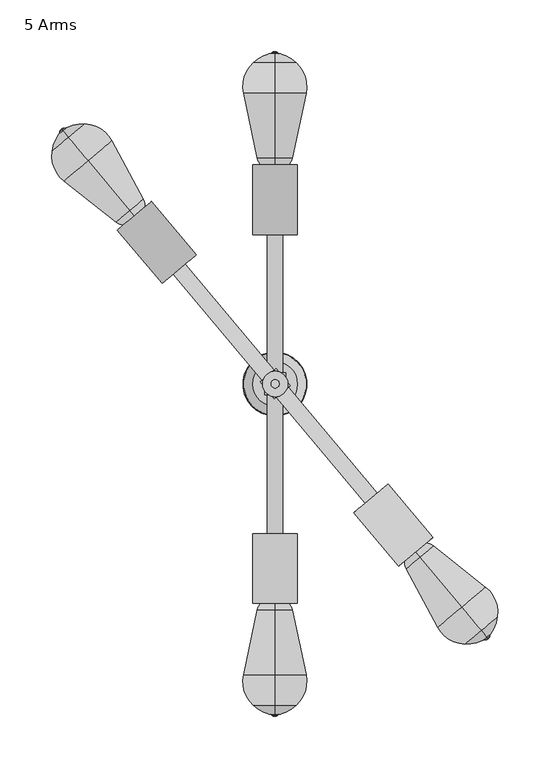
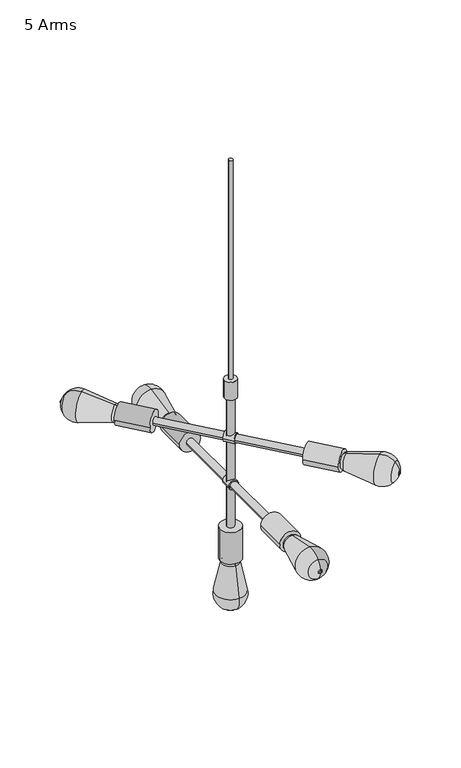
"""IFC4 building model written with IfcOpenShell, lengths in millimetres: furniture geometry, 5 Arms."""

from ifc_helpers import new_model, si_unit, point, frame, frame_2d, origin, origin_2d, place, context, project, spatial, polyline, circle_curve, ellipse_curve, trimmed, segment, composite_curve, outline, extrude, source, transform, mapped, element, save
from ifc_brep_helpers import plane_surface, revolved_surface, advanced_brep


def furniture_5_arms_6e21fdf8(model_context):
    return source(origin(), model_context, "Body", "SolidModel", [
        extrude(outline(composite_curve([segment(trimmed(circle_curve(frame_2d((0.0, -10.0)), 10.0), [point((0.0, -19.9999999))], [point((0.0, 0.0))], False, "CARTESIAN"), True, "CONTINUOUS"), segment(trimmed(circle_curve(frame_2d((0.0, -10.0)), 10.0), [point((0.0, 0.0))], [point((0.0, -19.9999999))], False, "CARTESIAN"), True, "CONTINUOUS")], self_intersect=False)), frame((14.5076184, -1.6676483, 2399.8530336), z_axis=(-0.6390690779321045, 0.7691493441660142, 0.0), x_axis=(0.0, 0.0, 1.0)), (0.0, 0.0, 1.0), 21.3314186),
        extrude(outline(composite_curve([segment(trimmed(circle_curve(frame_2d((2302.5332835, 0.0)), 10.0), [point((2302.5332835, -10.0))], [point((2302.5332835, 10.0))], False, "CARTESIAN"), True, "CONTINUOUS"), segment(trimmed(circle_curve(frame_2d((2302.5332835, 0.0)), 10.0), [point((2302.5332835, 10.0))], [point((2302.5332835, -10.0))], False, "CARTESIAN"), True, "CONTINUOUS")], self_intersect=False)), frame((0.0, -10.5205251, 0.0), z_axis=(0.0, 1.0, 0.0), x_axis=(0.0, 0.0, 1.0)), (0.0, 0.0, 1.0), 21.3314186),
        extrude(outline(composite_curve([segment(trimmed(circle_curve(frame_2d((0.0, -21.5)), 21.5), [point((0.0, -43.0))], [point((0.0, 0.0))], False, "CARTESIAN"), True, "CONTINUOUS"), segment(trimmed(circle_curve(frame_2d((0.0, -21.5)), 21.5), [point((0.0, 0.0))], [point((0.0, -43.0))], False, "CARTESIAN"), True, "CONTINUOUS")], self_intersect=False)), frame((-76.2749676, 124.7486621, 2399.8530336), z_axis=(-0.641954592659255, 0.7667426562828561, 0.0), x_axis=(0.0, 0.0, 1.0)), (0.0, 0.0, 1.0), 67.2515383),
        extrude(outline(composite_curve([segment(trimmed(circle_curve(frame_2d((0.0, -21.5)), 21.5), [point((0.0, -43.0000001))], [point((0.0, 0.0))], False, "CARTESIAN"), True, "CONTINUOUS"), segment(trimmed(circle_curve(frame_2d((0.0, -21.5)), 21.5), [point((0.0, 0.0))], [point((0.0, -43.0000001))], False, "CARTESIAN"), True, "CONTINUOUS")], self_intersect=False)), frame((152.2179252, -148.1604339, 2399.8530336), z_axis=(-0.641954592659255, 0.7667426562828561, 0.0), x_axis=(0.0, 0.0, 1.0)), (0.0, 0.0, 1.0), 67.2515383),
        advanced_brep(
        [(-136.0675596, 162.0068787, 2399.8530336), (-136.0675596, 162.0068787, 2413.0287016), (-136.0675596, 162.0068787, 2386.6773656), (-140.4828524, 167.2804501, 2416.9836568), (-140.4828524, 167.2804501, 2382.7224104), (-180.7451697, 215.3692658, 2430.188027), (-180.7451697, 215.3692658, 2369.5180402), (-199.6744613, 237.9781784, 2420.5259982), (-199.6744613, 237.9781784, 2379.180069), (-205.0121244, 244.3534175, 2404.8308433), (-205.0121244, 244.3534175, 2394.875224), (-205.7418194, 245.2249562, 2402.8620612), (-205.7418194, 245.2249562, 2396.8440061), (-206.3018221, 245.8938165, 2400.8069567), (-206.3018221, 245.8938165, 2398.8991105), (-206.3018221, 245.8938165, 2399.8530336)],
        [
            (0, 1),
            (1, 2, circle_curve(frame((-136.0675596, 162.0068787, 2399.8530336), z_axis=(0.6419545926592658, -0.7667426562828471, 0.0), x_axis=(0.0, 0.0, 1.0)), 13.175668)),
            (2, 0),
            (2, 1, circle_curve(frame((-136.0675596, 162.0068787, 2399.8530336), z_axis=(0.6419545926592658, -0.7667426562828471, 0.0), x_axis=(0.0, 0.0, 1.0)), 13.175668)),
            (1, 3, circle_curve(frame((-142.1796575, 169.3070932, 2404.4290124), z_axis=(-0.7667426562828469, -0.641954592659266, 0.0), x_axis=(0.0, 0.0, -1.0)), 12.8298686)),
            (3, 4, circle_curve(frame((-140.4828524, 167.2804501, 2399.8530336), z_axis=(0.6419545926592658, -0.7667426562828471, 0.0), x_axis=(0.0, 0.0, 1.0)), 17.1306232)),
            (4, 2, circle_curve(frame((-142.1796575, 169.3070932, 2395.2770549), z_axis=(-0.7667426562828478, -0.6419545926592651, 0.0), x_axis=(0.0, 0.0, 1.0)), 12.8298686)),
            (4, 3, circle_curve(frame((-140.4828524, 167.2804501, 2399.8530336), z_axis=(0.6419545926592658, -0.7667426562828471, 0.0), x_axis=(0.0, 0.0, 1.0)), 17.1306232)),
            (3, 5),
            (5, 6, circle_curve(frame((-180.7451697, 215.3692658, 2399.8530336), z_axis=(0.6419545926592658, -0.7667426562828471, 0.0), x_axis=(0.0, 0.0, 1.0)), 30.3349934)),
            (6, 4),
            (6, 5, circle_curve(frame((-180.7451697, 215.3692658, 2399.8530336), z_axis=(0.6419545926592658, -0.7667426562828471, 0.0), x_axis=(0.0, 0.0, 1.0)), 30.3349934)),
            (5, 7, circle_curve(frame((-184.8450526, 220.2661154, 2399.8530336), z_axis=(-0.7667426562828469, -0.641954592659266, 0.0), x_axis=(0.0, 0.0, -1.0)), 31.0)),
            (7, 8, circle_curve(frame((-199.6744613, 237.9781784, 2399.8530336), z_axis=(0.6419545926592658, -0.7667426562828471, 0.0), x_axis=(0.0, 0.0, 1.0)), 20.6729646)),
            (8, 6, circle_curve(frame((-184.8450526, 220.2661154, 2399.8530336), z_axis=(-0.7667426562828478, -0.6419545926592651, 0.0), x_axis=(0.0, 0.0, 1.0)), 31.0)),
            (8, 7, circle_curve(frame((-199.6744613, 237.9781784, 2399.8530336), z_axis=(0.6419545926592658, -0.7667426562828471, 0.0), x_axis=(0.0, 0.0, 1.0)), 20.6729646)),
            (7, 9, circle_curve(frame((-182.0062726, 216.8755116, 2395.8956271), z_axis=(-0.7667426562828469, -0.641954592659266, 0.0), x_axis=(0.0, 0.0, -1.0)), 36.9343014)),
            (9, 10, circle_curve(frame((-205.0121244, 244.3534175, 2399.8530336), z_axis=(0.6419545926592658, -0.7667426562828471, 0.0), x_axis=(0.0, 0.0, 1.0)), 4.9778097)),
            (10, 8, circle_curve(frame((-182.0062726, 216.8755116, 2403.8104402), z_axis=(-0.7667426562828478, -0.6419545926592651, 0.0), x_axis=(0.0, 0.0, 1.0)), 36.9343014)),
            (10, 9, circle_curve(frame((-205.0121244, 244.3534175, 2399.8530336), z_axis=(0.6419545926592658, -0.7667426562828471, 0.0), x_axis=(0.0, 0.0, 1.0)), 4.9778097)),
            (9, 11, circle_curve(frame((-207.5807889, 247.4213988, 2405.828484), z_axis=(0.7667426562828469, 0.641954592659266, 0.0), x_axis=(0.0, 0.0, -1.0)), 4.123813)),
            (11, 12, circle_curve(frame((-205.7418194, 245.2249562, 2399.8530336), z_axis=(0.6419545926592658, -0.7667426562828471, 0.0), x_axis=(0.0, 0.0, 1.0)), 3.0090275)),
            (12, 10, circle_curve(frame((-207.5807889, 247.4213988, 2393.8775833), z_axis=(0.7667426562828478, 0.6419545926592651, 0.0), x_axis=(0.0, 0.0, 1.0)), 4.123813)),
            (12, 11, circle_curve(frame((-205.7418194, 245.2249562, 2399.8530336), z_axis=(0.6419545926592658, -0.7667426562828471, 0.0), x_axis=(0.0, 0.0, 1.0)), 3.0090275)),
            (11, 13, circle_curve(frame((-204.4678019, 243.7032854, 2400.8069567), z_axis=(-0.7667426562828469, -0.641954592659266, 0.0), x_axis=(0.0, 0.0, -1.0)), 2.8569314)),
            (13, 14, circle_curve(frame((-206.3018221, 245.8938165, 2399.8530336), z_axis=(0.6419545926592658, -0.7667426562828471, 0.0), x_axis=(0.0, 0.0, 1.0)), 0.9539231)),
            (14, 12, circle_curve(frame((-204.4678019, 243.7032854, 2398.8991105), z_axis=(-0.7667426562828478, -0.6419545926592651, 0.0), x_axis=(0.0, 0.0, 1.0)), 2.8569314)),
            (14, 13, circle_curve(frame((-206.3018221, 245.8938165, 2399.8530336), z_axis=(0.6419545926592658, -0.7667426562828471, 0.0), x_axis=(0.0, 0.0, 1.0)), 0.9539231)),
            (13, 15),
            (15, 14),
        ],
        [
            plane_surface(frame((-136.0675596, 162.0068787, 2399.8530336), z_axis=(0.6419545926592656, -0.7667426562828473, 0.0), x_axis=(0.0, 0.0, 1.0))),
            revolved_surface(trimmed(ellipse_curve(frame((-142.1796575, 169.3070932, 2404.4290124), z_axis=(0.7667426562828469, 0.641954592659266, 0.0), x_axis=(0.0, 0.0, -1.0)), 12.8298686, 12.8298686), [point((-140.4828524, 167.2804501, 2416.9836568))], [point((-136.0675596, 162.0068787, 2413.0287016))], True, "CARTESIAN"), (-118.6025009, 141.1468278, 2399.8530336), (0.6419545926592658, -0.7667426562828471, 0.0)),
            revolved_surface(trimmed(ellipse_curve(frame((-142.1796575, 169.3070932, 2404.4290124), z_axis=(0.7667426562828468, 0.6419545926592664, 0.0), x_axis=(0.0, 0.0, -1.0)), 12.8298686, 12.8298686), [point((-140.4828524, 167.2804501, 2416.9836568))], [point((-136.0675596, 162.0068787, 2413.0287016))], True, "CARTESIAN"), (-118.6025009, 141.1468278, 2399.8530336), (0.6419545926592658, -0.7667426562828471, 0.0)),
            revolved_surface(polyline([(-180.7451697, 215.3692658, 2430.188027), (-140.4828524, 167.2804501, 2416.9836568)]), (-118.6025009, 141.1468278, 2399.8530336), (0.6419545926592658, -0.7667426562828471, 0.0)),
            revolved_surface(trimmed(ellipse_curve(frame((-184.8450526, 220.2661154, 2399.8530336), z_axis=(0.7667426562828469, 0.641954592659266, 0.0), x_axis=(0.0, 0.0, -1.0)), 31.0, 31.0), [point((-199.6744613, 237.9781784, 2420.5259982))], [point((-180.7451697, 215.3692658, 2430.188027))], True, "CARTESIAN"), (-118.6025009, 141.1468278, 2399.8530336), (0.6419545926592658, -0.7667426562828471, 0.0)),
            revolved_surface(trimmed(ellipse_curve(frame((-184.8450526, 220.2661154, 2399.8530336), z_axis=(0.7667426562828468, 0.6419545926592664, 0.0), x_axis=(0.0, 0.0, -1.0)), 31.0, 31.0), [point((-199.6744613, 237.9781784, 2420.5259982))], [point((-180.7451697, 215.3692658, 2430.188027))], True, "CARTESIAN"), (-118.6025009, 141.1468278, 2399.8530336), (0.6419545926592658, -0.7667426562828471, 0.0)),
            revolved_surface(trimmed(ellipse_curve(frame((-182.0062726, 216.8755116, 2395.8956271), z_axis=(0.7667426562828469, 0.641954592659266, 0.0), x_axis=(0.0, 0.0, -1.0)), 36.9343014, 36.9343014), [point((-205.0121244, 244.3534175, 2404.8308433))], [point((-199.6744613, 237.9781784, 2420.5259982))], True, "CARTESIAN"), (-118.6025009, 141.1468278, 2399.8530336), (0.6419545926592658, -0.7667426562828471, 0.0)),
            revolved_surface(trimmed(ellipse_curve(frame((-182.0062726, 216.8755116, 2395.8956271), z_axis=(0.7667426562828468, 0.6419545926592664, 0.0), x_axis=(0.0, 0.0, -1.0)), 36.9343014, 36.9343014), [point((-205.0121244, 244.3534175, 2404.8308433))], [point((-199.6744613, 237.9781784, 2420.5259982))], True, "CARTESIAN"), (-118.6025009, 141.1468278, 2399.8530336), (0.6419545926592658, -0.7667426562828471, 0.0)),
            revolved_surface(trimmed(ellipse_curve(frame((-207.5807889, 247.4213988, 2405.828484), z_axis=(-0.7667426562828469, -0.641954592659266, 0.0), x_axis=(0.0, 0.0, -1.0)), 4.123813, 4.123813), [point((-205.7418194, 245.2249562, 2402.8620612))], [point((-205.0121244, 244.3534175, 2404.8308433))], True, "CARTESIAN"), (-118.6025009, 141.1468278, 2399.8530336), (0.6419545926592658, -0.7667426562828471, 0.0)),
            revolved_surface(trimmed(ellipse_curve(frame((-207.5807889, 247.4213988, 2405.828484), z_axis=(-0.7667426562828468, -0.6419545926592664, 0.0), x_axis=(0.0, 0.0, -1.0)), 4.123813, 4.123813), [point((-205.7418194, 245.2249562, 2402.8620612))], [point((-205.0121244, 244.3534175, 2404.8308433))], True, "CARTESIAN"), (-118.6025009, 141.1468278, 2399.8530336), (0.6419545926592658, -0.7667426562828471, 0.0)),
            revolved_surface(trimmed(ellipse_curve(frame((-204.4678019, 243.7032854, 2400.8069567), z_axis=(0.7667426562828469, 0.641954592659266, 0.0), x_axis=(0.0, 0.0, -1.0)), 2.8569314, 2.8569314), [point((-206.3018221, 245.8938165, 2400.8069567))], [point((-205.7418194, 245.2249562, 2402.8620612))], True, "CARTESIAN"), (-118.6025009, 141.1468278, 2399.8530336), (0.6419545926592658, -0.7667426562828471, 0.0)),
            revolved_surface(trimmed(ellipse_curve(frame((-204.4678019, 243.7032854, 2400.8069567), z_axis=(0.7667426562828468, 0.6419545926592664, 0.0), x_axis=(0.0, 0.0, -1.0)), 2.8569314, 2.8569314), [point((-206.3018221, 245.8938165, 2400.8069567))], [point((-205.7418194, 245.2249562, 2402.8620612))], True, "CARTESIAN"), (-118.6025009, 141.1468278, 2399.8530336), (0.6419545926592658, -0.7667426562828471, 0.0)),
            plane_surface(frame((-206.3018221, 245.8938165, 2399.8530336), z_axis=(-0.6419545926592656, 0.7667426562828473, 0.0), x_axis=(0.0, 0.0, 1.0))),
        ],
        [
            (0, [[1, 2, 3]]),
            (0, [[-3, 4, -1]]),
            (1, [[-2, 5, 6, 7]]),
            (2, [[-4, -7, 8, -5]]),
            (3, [[-6, 9, 10, 11]]),
            (3, [[-8, -11, 12, -9]]),
            (4, [[-10, 13, 14, 15]]),
            (5, [[-12, -15, 16, -13]]),
            (6, [[-14, 17, 18, 19]]),
            (7, [[-16, -19, 20, -17]]),
            (8, [[-18, 21, 22, 23]]),
            (9, [[-20, -23, 24, -21]]),
            (10, [[-22, 25, 26, 27]]),
            (11, [[-24, -27, 28, -25]]),
            (12, [[-26, 29, 30]]),
            (12, [[-28, -30, -29]]),
        ],
    ),
        extrude(outline(composite_curve([segment(trimmed(circle_curve(frame_2d((0.0, -7.5)), 7.5), [point((0.0, -15.0))], [point((0.0, 0.0))], False, "CARTESIAN"), True, "CONTINUOUS"), segment(trimmed(circle_curve(frame_2d((0.0, -7.5)), 7.5), [point((0.0, 0.0))], [point((0.0, -15.0))], False, "CARTESIAN"), True, "CONTINUOUS")], self_intersect=False)), frame((98.3110941, -105.5831751, 2399.8530336), z_axis=(-0.641954592659255, 0.7667426562828561, 0.0), x_axis=(0.0, 0.0, 1.0)), (0.0, 0.0, 1.0), 288.6815688),
        advanced_brep(
        [(135.2126646, -162.0068787, 2386.6773656), (135.2126646, -162.0068787, 2413.0287016), (135.2126646, -162.0068787, 2399.8530336), (139.6279574, -167.2804501, 2382.7224104), (139.6279574, -167.2804501, 2416.9836568), (179.8902747, -215.3692658, 2369.5180402), (179.8902747, -215.3692658, 2430.188027), (198.8195662, -237.9781784, 2379.180069), (198.8195662, -237.9781784, 2420.5259982), (204.1572294, -244.3534175, 2394.875224), (204.1572294, -244.3534175, 2404.8308433), (204.8869243, -245.2249562, 2396.8440061), (204.8869243, -245.2249562, 2402.8620612), (205.4469271, -245.8938165, 2398.8991105), (205.4469271, -245.8938165, 2400.8069567), (205.4469271, -245.8938165, 2399.8530336)],
        [
            (0, 1, circle_curve(frame((135.2126646, -162.0068787, 2399.8530336), z_axis=(-0.6419545926592448, 0.7667426562828646, 0.0), x_axis=(0.0, 0.0, 1.0000000000000002)), 13.175668)),
            (1, 2),
            (2, 0),
            (1, 0, circle_curve(frame((135.2126646, -162.0068787, 2399.8530336), z_axis=(-0.6419545926592448, 0.7667426562828646, 0.0), x_axis=(0.0, 0.0, 1.0000000000000002)), 13.175668)),
            (3, 4, circle_curve(frame((139.6279574, -167.2804501, 2399.8530336), z_axis=(-0.6419545926592448, 0.7667426562828646, 0.0), x_axis=(0.0, 0.0, 1.0000000000000002)), 17.1306232)),
            (4, 1, circle_curve(frame((141.3247625, -169.3070932, 2404.4290124), z_axis=(-0.7667426562828644, -0.6419545926592454, 0.0), x_axis=(0.0, 0.0, -1.0000000000000002)), 12.8298686)),
            (0, 3, circle_curve(frame((141.3247625, -169.3070932, 2395.2770549), z_axis=(-0.7667426562828658, -0.6419545926592436, 0.0), x_axis=(0.0, 0.0, 1.0000000000000002)), 12.8298686)),
            (4, 3, circle_curve(frame((139.6279574, -167.2804501, 2399.8530336), z_axis=(-0.6419545926592448, 0.7667426562828646, 0.0), x_axis=(0.0, 0.0, 1.0000000000000002)), 17.1306232)),
            (5, 6, circle_curve(frame((179.8902747, -215.3692658, 2399.8530336), z_axis=(-0.6419545926592448, 0.7667426562828646, 0.0), x_axis=(0.0, 0.0, 1.0000000000000002)), 30.3349934)),
            (6, 4),
            (3, 5),
            (6, 5, circle_curve(frame((179.8902747, -215.3692658, 2399.8530336), z_axis=(-0.6419545926592448, 0.7667426562828646, 0.0), x_axis=(0.0, 0.0, 1.0000000000000002)), 30.3349934)),
            (7, 8, circle_curve(frame((198.8195662, -237.9781784, 2399.8530336), z_axis=(-0.6419545926592448, 0.7667426562828646, 0.0), x_axis=(0.0, 0.0, 1.0000000000000002)), 20.6729646)),
            (8, 6, circle_curve(frame((183.9901576, -220.2661154, 2399.8530336), z_axis=(-0.7667426562828644, -0.6419545926592454, 0.0), x_axis=(0.0, 0.0, -1.0000000000000002)), 31.0)),
            (5, 7, circle_curve(frame((183.9901576, -220.2661154, 2399.8530336), z_axis=(-0.7667426562828658, -0.6419545926592436, 0.0), x_axis=(0.0, 0.0, 1.0000000000000002)), 31.0)),
            (8, 7, circle_curve(frame((198.8195662, -237.9781784, 2399.8530336), z_axis=(-0.6419545926592448, 0.7667426562828646, 0.0), x_axis=(0.0, 0.0, 1.0000000000000002)), 20.6729646)),
            (9, 10, circle_curve(frame((204.1572294, -244.3534175, 2399.8530336), z_axis=(-0.6419545926592448, 0.7667426562828646, 0.0), x_axis=(0.0, 0.0, 1.0000000000000002)), 4.9778097)),
            (10, 8, circle_curve(frame((181.1513776, -216.8755116, 2395.8956271), z_axis=(-0.7667426562828644, -0.6419545926592454, 0.0), x_axis=(0.0, 0.0, -1.0000000000000002)), 36.9343014)),
            (7, 9, circle_curve(frame((181.1513776, -216.8755116, 2403.8104402), z_axis=(-0.7667426562828658, -0.6419545926592436, 0.0), x_axis=(0.0, 0.0, 1.0000000000000002)), 36.9343014)),
            (10, 9, circle_curve(frame((204.1572294, -244.3534175, 2399.8530336), z_axis=(-0.6419545926592448, 0.7667426562828646, 0.0), x_axis=(0.0, 0.0, 1.0000000000000002)), 4.9778097)),
            (11, 12, circle_curve(frame((204.8869243, -245.2249562, 2399.8530336), z_axis=(-0.6419545926592448, 0.7667426562828646, 0.0), x_axis=(0.0, 0.0, 1.0000000000000002)), 3.0090275)),
            (12, 10, circle_curve(frame((206.7258939, -247.4213988, 2405.828484), z_axis=(0.7667426562828644, 0.6419545926592454, 0.0), x_axis=(0.0, 0.0, -1.0000000000000002)), 4.123813)),
            (9, 11, circle_curve(frame((206.7258939, -247.4213988, 2393.8775833), z_axis=(0.7667426562828658, 0.6419545926592436, 0.0), x_axis=(0.0, 0.0, 1.0000000000000002)), 4.123813)),
            (12, 11, circle_curve(frame((204.8869243, -245.2249562, 2399.8530336), z_axis=(-0.6419545926592448, 0.7667426562828646, 0.0), x_axis=(0.0, 0.0, 1.0000000000000002)), 3.0090275)),
            (13, 14, circle_curve(frame((205.4469271, -245.8938165, 2399.8530336), z_axis=(-0.6419545926592448, 0.7667426562828646, 0.0), x_axis=(0.0, 0.0, 1.0000000000000002)), 0.9539231)),
            (14, 12, circle_curve(frame((203.6129069, -243.7032854, 2400.8069567), z_axis=(-0.7667426562828644, -0.6419545926592454, 0.0), x_axis=(0.0, 0.0, -1.0000000000000002)), 2.8569314)),
            (11, 13, circle_curve(frame((203.6129069, -243.7032854, 2398.8991105), z_axis=(-0.7667426562828658, -0.6419545926592436, 0.0), x_axis=(0.0, 0.0, 1.0000000000000002)), 2.8569314)),
            (14, 13, circle_curve(frame((205.4469271, -245.8938165, 2399.8530336), z_axis=(-0.6419545926592448, 0.7667426562828646, 0.0), x_axis=(0.0, 0.0, 1.0000000000000002)), 0.9539231)),
            (15, 14),
            (13, 15),
        ],
        [
            plane_surface(frame((135.2126646, -162.0068787, 2399.8530336), z_axis=(-0.6419545926592445, 0.7667426562828651, 0.0), x_axis=(0.0, 0.0, 1.0))),
            revolved_surface(trimmed(ellipse_curve(frame((141.3247625, -169.3070932, 2404.4290124), z_axis=(0.7667426562828644, 0.6419545926592454, 0.0), x_axis=(0.0, 0.0, -1.0000000000000002)), 12.8298686, 12.8298686), [point((135.2126646, -162.0068787, 2413.0287016))], [point((139.6279574, -167.2804501, 2416.9836568))], True, "CARTESIAN"), (117.7476059, -141.1468278, 2399.8530336), (0.6419545926592448, -0.7667426562828646, 0.0)),
            revolved_surface(trimmed(ellipse_curve(frame((141.3247625, -169.3070932, 2404.4290124), z_axis=(0.766742656282864, 0.6419545926592458, 0.0), x_axis=(0.0, 0.0, -1.0000000000000002)), 12.8298686, 12.8298686), [point((135.2126646, -162.0068787, 2413.0287016))], [point((139.6279574, -167.2804501, 2416.9836568))], True, "CARTESIAN"), (117.7476059, -141.1468278, 2399.8530336), (0.6419545926592448, -0.7667426562828646, 0.0)),
            revolved_surface(polyline([(139.6279574, -167.2804501, 2416.9836568), (179.8902747, -215.3692658, 2430.188027)]), (117.7476059, -141.1468278, 2399.8530336), (0.6419545926592448, -0.7667426562828646, 0.0)),
            revolved_surface(trimmed(ellipse_curve(frame((183.9901576, -220.2661154, 2399.8530336), z_axis=(0.7667426562828644, 0.6419545926592454, 0.0), x_axis=(0.0, 0.0, -1.0000000000000002)), 31.0, 31.0), [point((179.8902747, -215.3692658, 2430.188027))], [point((198.8195662, -237.9781784, 2420.5259982))], True, "CARTESIAN"), (117.7476059, -141.1468278, 2399.8530336), (0.6419545926592448, -0.7667426562828646, 0.0)),
            revolved_surface(trimmed(ellipse_curve(frame((183.9901576, -220.2661154, 2399.8530336), z_axis=(0.766742656282864, 0.6419545926592458, 0.0), x_axis=(0.0, 0.0, -1.0000000000000002)), 31.0, 31.0), [point((179.8902747, -215.3692658, 2430.188027))], [point((198.8195662, -237.9781784, 2420.5259982))], True, "CARTESIAN"), (117.7476059, -141.1468278, 2399.8530336), (0.6419545926592448, -0.7667426562828646, 0.0)),
            revolved_surface(trimmed(ellipse_curve(frame((181.1513776, -216.8755116, 2395.8956271), z_axis=(0.7667426562828644, 0.6419545926592454, 0.0), x_axis=(0.0, 0.0, -1.0000000000000002)), 36.9343014, 36.9343014), [point((198.8195662, -237.9781784, 2420.5259982))], [point((204.1572294, -244.3534175, 2404.8308433))], True, "CARTESIAN"), (117.7476059, -141.1468278, 2399.8530336), (0.6419545926592448, -0.7667426562828646, 0.0)),
            revolved_surface(trimmed(ellipse_curve(frame((181.1513776, -216.8755116, 2395.8956271), z_axis=(0.766742656282864, 0.6419545926592458, 0.0), x_axis=(0.0, 0.0, -1.0000000000000002)), 36.9343014, 36.9343014), [point((198.8195662, -237.9781784, 2420.5259982))], [point((204.1572294, -244.3534175, 2404.8308433))], True, "CARTESIAN"), (117.7476059, -141.1468278, 2399.8530336), (0.6419545926592448, -0.7667426562828646, 0.0)),
            revolved_surface(trimmed(ellipse_curve(frame((206.7258939, -247.4213988, 2405.828484), z_axis=(-0.7667426562828644, -0.6419545926592454, 0.0), x_axis=(0.0, 0.0, -1.0000000000000002)), 4.123813, 4.123813), [point((204.1572294, -244.3534175, 2404.8308433))], [point((204.8869243, -245.2249562, 2402.8620612))], True, "CARTESIAN"), (117.7476059, -141.1468278, 2399.8530336), (0.6419545926592448, -0.7667426562828646, 0.0)),
            revolved_surface(trimmed(ellipse_curve(frame((206.7258939, -247.4213988, 2405.828484), z_axis=(-0.766742656282864, -0.6419545926592458, 0.0), x_axis=(0.0, 0.0, -1.0000000000000002)), 4.123813, 4.123813), [point((204.1572294, -244.3534175, 2404.8308433))], [point((204.8869243, -245.2249562, 2402.8620612))], True, "CARTESIAN"), (117.7476059, -141.1468278, 2399.8530336), (0.6419545926592448, -0.7667426562828646, 0.0)),
            revolved_surface(trimmed(ellipse_curve(frame((203.6129069, -243.7032854, 2400.8069567), z_axis=(0.7667426562828644, 0.6419545926592454, 0.0), x_axis=(0.0, 0.0, -1.0000000000000002)), 2.8569314, 2.8569314), [point((204.8869243, -245.2249562, 2402.8620612))], [point((205.4469271, -245.8938165, 2400.8069567))], True, "CARTESIAN"), (117.7476059, -141.1468278, 2399.8530336), (0.6419545926592448, -0.7667426562828646, 0.0)),
            revolved_surface(trimmed(ellipse_curve(frame((203.6129069, -243.7032854, 2400.8069567), z_axis=(0.766742656282864, 0.6419545926592458, 0.0), x_axis=(0.0, 0.0, -1.0000000000000002)), 2.8569314, 2.8569314), [point((204.8869243, -245.2249562, 2402.8620612))], [point((205.4469271, -245.8938165, 2400.8069567))], True, "CARTESIAN"), (117.7476059, -141.1468278, 2399.8530336), (0.6419545926592448, -0.7667426562828646, 0.0)),
            plane_surface(frame((205.4469271, -245.8938165, 2399.8530336), z_axis=(0.6419545926592445, -0.7667426562828651, 0.0), x_axis=(0.0, 0.0, 1.0))),
        ],
        [
            (0, [[1, 2, 3]]),
            (0, [[4, -3, -2]]),
            (1, [[5, 6, -1, 7]]),
            (2, [[8, -7, -4, -6]]),
            (3, [[9, 10, -5, 11]]),
            (3, [[12, -11, -8, -10]]),
            (4, [[13, 14, -9, 15]]),
            (5, [[16, -15, -12, -14]]),
            (6, [[17, 18, -13, 19]]),
            (7, [[20, -19, -16, -18]]),
            (8, [[21, 22, -17, 23]]),
            (9, [[24, -23, -20, -22]]),
            (10, [[25, 26, -21, 27]]),
            (11, [[28, -27, -24, -26]]),
            (12, [[29, -25, 30]]),
            (12, [[-30, -28, -29]]),
        ],
    ),
        advanced_brep(
        [(-0.2492031, 13.175668, 2138.9275009), (-0.2492031, -13.175668, 2138.9275009), (-0.2492031, 0.0, 2138.9275009), (-0.2492031, 17.1306232, 2132.0496113), (-0.2492031, -17.1306232, 2132.0496113), (-0.2492031, 30.3349934, 2069.3312854), (-0.2492031, -30.3349934, 2069.3312854), (-0.2492031, 20.6729646, 2039.8443221), (-0.2492031, -20.6729646, 2039.8443221), (-0.2492031, 4.9778097, 2031.529617), (-0.2492031, -4.9778097, 2031.529617), (-0.2492031, 3.0090275, 2030.3929401), (-0.2492031, -3.0090275, 2030.3929401), (-0.2492031, 0.9539231, 2029.5206), (-0.2492031, -0.9539231, 2029.5206), (-0.2492031, 0.0, 2029.5206)],
        [
            (0, 1, circle_curve(frame((-0.2492031, 0.0, 2138.9275009), z_axis=(0.0, 0.0, 1.0), x_axis=(0.0, -1.0, 0.0)), 13.175668)),
            (1, 2),
            (2, 0),
            (1, 0, circle_curve(frame((-0.2492031, 0.0, 2138.9275009), z_axis=(0.0, 0.0, 1.0), x_axis=(0.0, -1.0, 0.0)), 13.175668)),
            (3, 4, circle_curve(frame((-0.2492031, 0.0, 2132.0496113), z_axis=(0.0, 0.0, 1.0), x_axis=(0.0, -1.0, 0.0)), 17.1306232)),
            (4, 1, circle_curve(frame((-0.2492031, -4.5759787, 2129.4064257), z_axis=(-1.0, 0.0, 0.0), x_axis=(0.0, 1.0, 0.0)), 12.8298686)),
            (0, 3, circle_curve(frame((-0.2492031, 4.5759787, 2129.4064257), z_axis=(-1.0, 0.0, 0.0), x_axis=(0.0, -1.0, 0.0)), 12.8298686)),
            (4, 3, circle_curve(frame((-0.2492031, 0.0, 2132.0496113), z_axis=(0.0, 0.0, 1.0), x_axis=(0.0, -1.0, 0.0)), 17.1306232)),
            (5, 6, circle_curve(frame((-0.2492031, 0.0, 2069.3312854), z_axis=(0.0, 0.0, 1.0), x_axis=(0.0, -1.0, 0.0)), 30.3349934)),
            (6, 4),
            (3, 5),
            (6, 5, circle_curve(frame((-0.2492031, 0.0, 2069.3312854), z_axis=(0.0, 0.0, 1.0), x_axis=(0.0, -1.0, 0.0)), 30.3349934)),
            (7, 8, circle_curve(frame((-0.2492031, 0.0, 2039.8443221), z_axis=(0.0, 0.0, 1.0), x_axis=(0.0, -1.0, 0.0)), 20.6729646)),
            (8, 6, circle_curve(frame((-0.2492031, 0.0, 2062.9447233), z_axis=(-1.0, 0.0, 0.0), x_axis=(0.0, 1.0, 0.0)), 31.0)),
            (5, 7, circle_curve(frame((-0.2492031, 0.0, 2062.9447233), z_axis=(-1.0, 0.0, 0.0), x_axis=(0.0, -1.0, 0.0)), 31.0)),
            (8, 7, circle_curve(frame((-0.2492031, 0.0, 2039.8443221), z_axis=(0.0, 0.0, 1.0), x_axis=(0.0, -1.0, 0.0)), 20.6729646)),
            (9, 10, circle_curve(frame((-0.2492031, 0.0, 2031.529617), z_axis=(0.0, 0.0, 1.0), x_axis=(0.0, -1.0, 0.0)), 4.9778097)),
            (10, 8, circle_curve(frame((-0.2492031, 3.9574065, 2067.3668118), z_axis=(-1.0, 0.0, 0.0), x_axis=(0.0, 1.0, 0.0)), 36.9343014)),
            (7, 9, circle_curve(frame((-0.2492031, -3.9574065, 2067.3668118), z_axis=(-1.0, 0.0, 0.0), x_axis=(0.0, -1.0, 0.0)), 36.9343014)),
            (10, 9, circle_curve(frame((-0.2492031, 0.0, 2031.529617), z_axis=(0.0, 0.0, 1.0), x_axis=(0.0, -1.0, 0.0)), 4.9778097)),
            (11, 12, circle_curve(frame((-0.2492031, 0.0, 2030.3929401), z_axis=(0.0, 0.0, 1.0), x_axis=(0.0, -1.0, 0.0)), 3.0090275)),
            (12, 10, circle_curve(frame((-0.2492031, -5.9754503, 2027.5282989), z_axis=(1.0, 0.0, 0.0), x_axis=(0.0, 1.0, 0.0)), 4.123813)),
            (9, 11, circle_curve(frame((-0.2492031, 5.9754503, 2027.5282989), z_axis=(1.0, 0.0, 0.0), x_axis=(0.0, -1.0, 0.0)), 4.123813)),
            (12, 11, circle_curve(frame((-0.2492031, 0.0, 2030.3929401), z_axis=(0.0, 0.0, 1.0), x_axis=(0.0, -1.0, 0.0)), 3.0090275)),
            (13, 14, circle_curve(frame((-0.2492031, 0.0, 2029.5206), z_axis=(0.0, 0.0, 1.0), x_axis=(0.0, -1.0, 0.0)), 0.9539231)),
            (14, 12, circle_curve(frame((-0.2492031, -0.9539231, 2032.3775314), z_axis=(-1.0, 0.0, 0.0), x_axis=(0.0, 1.0, 0.0)), 2.8569314)),
            (11, 13, circle_curve(frame((-0.2492031, 0.9539231, 2032.3775314), z_axis=(-1.0, 0.0, 0.0), x_axis=(0.0, -1.0, 0.0)), 2.8569314)),
            (14, 13, circle_curve(frame((-0.2492031, 0.0, 2029.5206), z_axis=(0.0, 0.0, 1.0), x_axis=(0.0, -1.0, 0.0)), 0.9539231)),
            (15, 14),
            (13, 15),
        ],
        [
            plane_surface(frame((-0.2492031, 0.0, 2138.9275009), z_axis=(0.0, 0.0, 1.0), x_axis=(0.0, -1.0, 0.0))),
            revolved_surface(trimmed(ellipse_curve(frame((-0.2492031, -4.5759787, 2129.4064257), z_axis=(1.0, 0.0, 0.0), x_axis=(0.0, 1.0, 0.0)), 12.8298686, 12.8298686), [point((-0.2492031, -13.175668, 2138.9275009))], [point((-0.2492031, -17.1306232, 2132.0496113))], True, "CARTESIAN"), (-0.2492031, 0.0, 2166.1335664), (0.0, 0.0, -1.0)),
            revolved_surface(polyline([(-0.2492031, -17.1306232, 2132.0496113), (-0.2492031, -30.3349934, 2069.3312854)]), (-0.2492031, 0.0, 2166.1335664), (0.0, 0.0, -1.0)),
            revolved_surface(trimmed(ellipse_curve(frame((-0.2492031, 0.0, 2062.9447233), z_axis=(1.0, 0.0, 0.0), x_axis=(0.0, 1.0, 0.0)), 31.0, 31.0), [point((-0.2492031, -30.3349934, 2069.3312854))], [point((-0.2492031, -20.6729646, 2039.8443221))], True, "CARTESIAN"), (-0.2492031, 0.0, 2166.1335664), (0.0, 0.0, -1.0)),
            revolved_surface(trimmed(ellipse_curve(frame((-0.2492031, 3.9574065, 2067.3668118), z_axis=(1.0, 0.0, 0.0), x_axis=(0.0, 1.0, 0.0)), 36.9343014, 36.9343014), [point((-0.2492031, -20.6729646, 2039.8443221))], [point((-0.2492031, -4.9778097, 2031.529617))], True, "CARTESIAN"), (-0.2492031, 0.0, 2166.1335664), (0.0, 0.0, -1.0)),
            revolved_surface(trimmed(ellipse_curve(frame((-0.2492031, -5.9754503, 2027.5282989), z_axis=(-1.0, 0.0, 0.0), x_axis=(0.0, 1.0, 0.0)), 4.123813, 4.123813), [point((-0.2492031, -4.9778097, 2031.529617))], [point((-0.2492031, -3.0090275, 2030.3929401))], True, "CARTESIAN"), (-0.2492031, 0.0, 2166.1335664), (0.0, 0.0, -1.0)),
            revolved_surface(trimmed(ellipse_curve(frame((-0.2492031, -0.9539231, 2032.3775314), z_axis=(1.0, 0.0, 0.0), x_axis=(0.0, 1.0, 0.0)), 2.8569314, 2.8569314), [point((-0.2492031, -3.0090275, 2030.3929401))], [point((-0.2492031, -0.9539231, 2029.5206))], True, "CARTESIAN"), (-0.2492031, 0.0, 2166.1335664), (0.0, 0.0, -1.0)),
            plane_surface(frame((-0.2492031, 0.0, 2029.5206), z_axis=(0.0, 0.0, -1.0), x_axis=(0.0, -1.0, 0.0))),
        ],
        [
            (0, [[1, 2, 3]]),
            (0, [[4, -3, -2]]),
            (1, [[5, 6, -1, 7]]),
            (1, [[8, -7, -4, -6]]),
            (2, [[9, 10, -5, 11]]),
            (2, [[12, -11, -8, -10]]),
            (3, [[13, 14, -9, 15]]),
            (3, [[16, -15, -12, -14]]),
            (4, [[17, 18, -13, 19]]),
            (4, [[20, -19, -16, -18]]),
            (5, [[21, 22, -17, 23]]),
            (5, [[24, -23, -20, -22]]),
            (6, [[25, 26, -21, 27]]),
            (6, [[28, -27, -24, -26]]),
            (7, [[29, -25, 30]]),
            (7, [[-30, -28, -29]]),
        ],
    ),
        extrude(outline(composite_curve([segment(trimmed(circle_curve(frame_2d((2302.5332835, 0.0)), 21.5), [point((2302.5332835, -21.5))], [point((2302.5332835, 21.5))], False, "CARTESIAN"), True, "CONTINUOUS"), segment(trimmed(circle_curve(frame_2d((2302.5332835, 0.0)), 21.5), [point((2302.5332835, 21.5))], [point((2302.5332835, -21.5))], False, "CARTESIAN"), True, "CONTINUOUS")], self_intersect=False)), frame((0.0, 144.3407844, 0.0), z_axis=(0.0, 1.0, 0.0), x_axis=(0.0, 0.0, 1.0)), (0.0, 0.0, 1.0), 67.2515383),
        extrude(outline(composite_curve([segment(trimmed(circle_curve(frame_2d((2302.5332835, 0.0)), 21.5), [point((2302.5332835, -21.5))], [point((2302.5332835, 21.5))], False, "CARTESIAN"), True, "CONTINUOUS"), segment(trimmed(circle_curve(frame_2d((2302.5332835, 0.0)), 21.5), [point((2302.5332835, 21.5))], [point((2302.5332835, -21.5))], False, "CARTESIAN"), True, "CONTINUOUS")], self_intersect=False)), frame((0.0, -211.5923227, 0.0), z_axis=(0.0, 1.0, 0.0), x_axis=(0.0, 0.0, 1.0)), (0.0, 0.0, 1.0), 67.2515383),
        advanced_brep(
        [(-0.4274475, 211.2923775, 2302.5332835), (-0.4274475, 211.2923775, 2315.7089515), (-0.4274475, 211.2923775, 2289.3576155), (-0.4274475, 218.170267, 2319.6639067), (-0.4274475, 218.170267, 2285.4026603), (-0.4274475, 280.8885929, 2332.8682769), (-0.4274475, 280.8885929, 2272.1982901), (-0.4274475, 310.3755562, 2323.2062481), (-0.4274475, 310.3755562, 2281.8603189), (-0.4274475, 318.6902613, 2307.5110932), (-0.4274475, 318.6902613, 2297.5554738), (-0.4274475, 319.8269382, 2305.5423111), (-0.4274475, 319.8269382, 2299.524256), (-0.4274475, 320.6992783, 2303.4872066), (-0.4274475, 320.6992783, 2301.5793604), (-0.4274475, 320.6992783, 2302.5332835)],
        [
            (0, 1),
            (1, 2, circle_curve(frame((-0.4274475, 211.2923775, 2302.5332835), z_axis=(0.0, -1.0, 0.0), x_axis=(0.0, 0.0, 1.0)), 13.175668)),
            (2, 0),
            (2, 1, circle_curve(frame((-0.4274475, 211.2923775, 2302.5332835), z_axis=(0.0, -1.0, 0.0), x_axis=(0.0, 0.0, 1.0)), 13.175668)),
            (1, 3, circle_curve(frame((-0.4274475, 220.8134526, 2307.1092622), z_axis=(-1.0, 0.0, 0.0), x_axis=(0.0, 0.0, -1.0)), 12.8298686)),
            (3, 4, circle_curve(frame((-0.4274475, 218.170267, 2302.5332835), z_axis=(0.0, -1.0, 0.0), x_axis=(0.0, 0.0, 1.0)), 17.1306232)),
            (4, 2, circle_curve(frame((-0.4274475, 220.8134526, 2297.9573048), z_axis=(-1.0, 0.0, 0.0), x_axis=(0.0, 0.0, 1.0)), 12.8298686)),
            (4, 3, circle_curve(frame((-0.4274475, 218.170267, 2302.5332835), z_axis=(0.0, -1.0, 0.0), x_axis=(0.0, 0.0, 1.0)), 17.1306232)),
            (3, 5),
            (5, 6, circle_curve(frame((-0.4274475, 280.8885929, 2302.5332835), z_axis=(0.0, -1.0, 0.0), x_axis=(0.0, 0.0, 1.0)), 30.3349934)),
            (6, 4),
            (6, 5, circle_curve(frame((-0.4274475, 280.8885929, 2302.5332835), z_axis=(0.0, -1.0, 0.0), x_axis=(0.0, 0.0, 1.0)), 30.3349934)),
            (5, 7, circle_curve(frame((-0.4274475, 287.275155, 2302.5332835), z_axis=(-1.0, 0.0, 0.0), x_axis=(0.0, 0.0, -1.0)), 31.0)),
            (7, 8, circle_curve(frame((-0.4274475, 310.3755562, 2302.5332835), z_axis=(0.0, -1.0, 0.0), x_axis=(0.0, 0.0, 1.0)), 20.6729646)),
            (8, 6, circle_curve(frame((-0.4274475, 287.275155, 2302.5332835), z_axis=(-1.0, 0.0, 0.0), x_axis=(0.0, 0.0, 1.0)), 31.0)),
            (8, 7, circle_curve(frame((-0.4274475, 310.3755562, 2302.5332835), z_axis=(0.0, -1.0, 0.0), x_axis=(0.0, 0.0, 1.0)), 20.6729646)),
            (7, 9, circle_curve(frame((-0.4274475, 282.8530665, 2298.575877), z_axis=(-1.0, 0.0, 0.0), x_axis=(0.0, 0.0, -1.0)), 36.9343014)),
            (9, 10, circle_curve(frame((-0.4274475, 318.6902613, 2302.5332835), z_axis=(0.0, -1.0, 0.0), x_axis=(0.0, 0.0, 1.0)), 4.9778097)),
            (10, 8, circle_curve(frame((-0.4274475, 282.8530665, 2306.49069), z_axis=(-1.0, 0.0, 0.0), x_axis=(0.0, 0.0, 1.0)), 36.9343014)),
            (10, 9, circle_curve(frame((-0.4274475, 318.6902613, 2302.5332835), z_axis=(0.0, -1.0, 0.0), x_axis=(0.0, 0.0, 1.0)), 4.9778097)),
            (9, 11, circle_curve(frame((-0.4274475, 322.6915794, 2308.5087338), z_axis=(1.0, 0.0, 0.0), x_axis=(0.0, 0.0, -1.0)), 4.123813)),
            (11, 12, circle_curve(frame((-0.4274475, 319.8269382, 2302.5332835), z_axis=(0.0, -1.0, 0.0), x_axis=(0.0, 0.0, 1.0)), 3.0090275)),
            (12, 10, circle_curve(frame((-0.4274475, 322.6915794, 2296.5578332), z_axis=(1.0, 0.0, 0.0), x_axis=(0.0, 0.0, 1.0)), 4.123813)),
            (12, 11, circle_curve(frame((-0.4274475, 319.8269382, 2302.5332835), z_axis=(0.0, -1.0, 0.0), x_axis=(0.0, 0.0, 1.0)), 3.0090275)),
            (11, 13, circle_curve(frame((-0.4274475, 317.8423469, 2303.4872066), z_axis=(-1.0, 0.0, 0.0), x_axis=(0.0, 0.0, -1.0)), 2.8569314)),
            (13, 14, circle_curve(frame((-0.4274475, 320.6992783, 2302.5332835), z_axis=(0.0, -1.0, 0.0), x_axis=(0.0, 0.0, 1.0)), 0.9539231)),
            (14, 12, circle_curve(frame((-0.4274475, 317.8423469, 2301.5793604), z_axis=(-1.0, 0.0, 0.0), x_axis=(0.0, 0.0, 1.0)), 2.8569314)),
            (14, 13, circle_curve(frame((-0.4274475, 320.6992783, 2302.5332835), z_axis=(0.0, -1.0, 0.0), x_axis=(0.0, 0.0, 1.0)), 0.9539231)),
            (13, 15),
            (15, 14),
        ],
        [
            plane_surface(frame((-0.4274475, 211.2923775, 2302.5332835), z_axis=(0.0, -1.0, 0.0), x_axis=(0.0, 0.0, 1.0))),
            revolved_surface(trimmed(ellipse_curve(frame((-0.4274475, 220.8134526, 2307.1092622), z_axis=(1.0, 0.0, 0.0), x_axis=(0.0, 0.0, -1.0)), 12.8298686, 12.8298686), [point((-0.4274475, 218.170267, 2319.6639067))], [point((-0.4274475, 211.2923775, 2315.7089515))], True, "CARTESIAN"), (-0.4274475, 184.0863119, 2302.5332835), (0.0, -1.0, 0.0)),
            revolved_surface(polyline([(-0.4274475, 280.8885929, 2332.8682769), (-0.4274475, 218.170267, 2319.6639067)]), (-0.4274475, 184.0863119, 2302.5332835), (0.0, -1.0, 0.0)),
            revolved_surface(trimmed(ellipse_curve(frame((-0.4274475, 287.275155, 2302.5332835), z_axis=(1.0, 0.0, 0.0), x_axis=(0.0, 0.0, -1.0)), 31.0, 31.0), [point((-0.4274475, 310.3755562, 2323.2062481))], [point((-0.4274475, 280.8885929, 2332.8682769))], True, "CARTESIAN"), (-0.4274475, 184.0863119, 2302.5332835), (0.0, -1.0, 0.0)),
            revolved_surface(trimmed(ellipse_curve(frame((-0.4274475, 282.8530665, 2298.575877), z_axis=(1.0, 0.0, 0.0), x_axis=(0.0, 0.0, -1.0)), 36.9343014, 36.9343014), [point((-0.4274475, 318.6902613, 2307.5110932))], [point((-0.4274475, 310.3755562, 2323.2062481))], True, "CARTESIAN"), (-0.4274475, 184.0863119, 2302.5332835), (0.0, -1.0, 0.0)),
            revolved_surface(trimmed(ellipse_curve(frame((-0.4274475, 322.6915794, 2308.5087338), z_axis=(-1.0, 0.0, 0.0), x_axis=(0.0, 0.0, -1.0)), 4.123813, 4.123813), [point((-0.4274475, 319.8269382, 2305.5423111))], [point((-0.4274475, 318.6902613, 2307.5110932))], True, "CARTESIAN"), (-0.4274475, 184.0863119, 2302.5332835), (0.0, -1.0, 0.0)),
            revolved_surface(trimmed(ellipse_curve(frame((-0.4274475, 317.8423469, 2303.4872066), z_axis=(1.0, 0.0, 0.0), x_axis=(0.0, 0.0, -1.0)), 2.8569314, 2.8569314), [point((-0.4274475, 320.6992783, 2303.4872066))], [point((-0.4274475, 319.8269382, 2305.5423111))], True, "CARTESIAN"), (-0.4274475, 184.0863119, 2302.5332835), (0.0, -1.0, 0.0)),
            plane_surface(frame((-0.4274475, 320.6992783, 2302.5332835), z_axis=(0.0, 1.0, 0.0), x_axis=(0.0, 0.0, 1.0))),
        ],
        [
            (0, [[1, 2, 3]]),
            (0, [[-3, 4, -1]]),
            (1, [[-2, 5, 6, 7]]),
            (1, [[-4, -7, 8, -5]]),
            (2, [[-6, 9, 10, 11]]),
            (2, [[-8, -11, 12, -9]]),
            (3, [[-10, 13, 14, 15]]),
            (3, [[-12, -15, 16, -13]]),
            (4, [[-14, 17, 18, 19]]),
            (4, [[-16, -19, 20, -17]]),
            (5, [[-18, 21, 22, 23]]),
            (5, [[-20, -23, 24, -21]]),
            (6, [[-22, 25, 26, 27]]),
            (6, [[-24, -27, 28, -25]]),
            (7, [[-26, 29, 30]]),
            (7, [[-28, -30, -29]]),
        ],
    ),
        extrude(outline(composite_curve([segment(trimmed(circle_curve(frame_2d((2302.5332835, 0.0)), 7.5), [point((2302.5332835, -7.5))], [point((2302.5332835, 7.5))], False, "CARTESIAN"), True, "CONTINUOUS"), segment(trimmed(circle_curve(frame_2d((2302.5332835, 0.0)), 7.5), [point((2302.5332835, 7.5))], [point((2302.5332835, -7.5))], False, "CARTESIAN"), True, "CONTINUOUS")], self_intersect=False)), frame((0.0, -144.3407844, 0.0), z_axis=(0.0, 1.0, 0.0), x_axis=(0.0, 0.0, 1.0)), (0.0, 0.0, 1.0), 288.6815688),
        extrude(outline(composite_curve([segment(trimmed(circle_curve(origin_2d(), 21.5), [point((-21.5, 0.0))], [point((21.5, 0.0))], False, "CARTESIAN"), True, "CONTINUOUS"), segment(trimmed(circle_curve(origin_2d(), 21.5), [point((21.5, 0.0))], [point((-21.5, 0.0))], False, "CARTESIAN"), True, "CONTINUOUS")], self_intersect=False)), frame((0.0, 0.0, 2139.7812264), z_axis=(0.0, 0.0, 1.0), x_axis=(1.0, 0.0, 0.0)), (0.0, 0.0, 1.0), 68.4060717),
        extrude(outline(composite_curve([segment(trimmed(circle_curve(origin_2d(), 7.5), [point((-7.5, 0.0))], [point((7.5, 0.0))], False, "CARTESIAN"), True, "CONTINUOUS"), segment(trimmed(circle_curve(origin_2d(), 7.5), [point((7.5, 0.0))], [point((-7.5, 0.0))], False, "CARTESIAN"), True, "CONTINUOUS")], self_intersect=False)), frame((0.0, 0.0, 2208.1872981), z_axis=(0.0, 0.0, 1.0), x_axis=(1.0, 0.0, 0.0)), (0.0, 0.0, 1.0), 279.5622236),
        extrude(outline(composite_curve([segment(trimmed(circle_curve(origin_2d(), 12.2511931), [point((-12.2511931, 0.0))], [point((12.2511931, 0.0))], False, "CARTESIAN"), True, "CONTINUOUS"), segment(trimmed(circle_curve(origin_2d(), 12.2511931), [point((12.2511931, 0.0))], [point((-12.2511931, 0.0))], False, "CARTESIAN"), True, "CONTINUOUS")], self_intersect=False)), frame((0.0, 0.0, 2487.7495217), z_axis=(0.0, 0.0, 1.0), x_axis=(1.0, 0.0, 0.0)), (0.0, 0.0, 1.0), 38.8591106),
        extrude(outline(composite_curve([segment(trimmed(circle_curve(origin_2d(), 4.0), [point((-4.0, 0.0))], [point((4.0, 0.0))], False, "CARTESIAN"), True, "CONTINUOUS"), segment(trimmed(circle_curve(origin_2d(), 4.0), [point((4.0, 0.0))], [point((-4.0, 0.0))], False, "CARTESIAN"), True, "CONTINUOUS")], self_intersect=False)), frame((0.0, 0.0, 2526.6086324), z_axis=(0.0, 0.0, 1.0), x_axis=(1.0, 0.0, 0.0)), (0.0, 0.0, 1.0), 473.3913676),
        advanced_brep(
        [(-0.4274475, -211.2923775, 2289.3576155), (-0.4274475, -211.2923775, 2315.7089515), (-0.4274475, -211.2923775, 2302.5332835), (-0.4274475, -218.170267, 2285.4026603), (-0.4274475, -218.170267, 2319.6639067), (-0.4274475, -280.8885929, 2272.1982901), (-0.4274475, -280.8885929, 2332.8682769), (-0.4274475, -310.3755562, 2281.8603189), (-0.4274475, -310.3755562, 2323.2062481), (-0.4274475, -318.6902613, 2297.5554738), (-0.4274475, -318.6902613, 2307.5110932), (-0.4274475, -319.8269382, 2299.524256), (-0.4274475, -319.8269382, 2305.5423111), (-0.4274475, -320.6992783, 2301.5793604), (-0.4274475, -320.6992783, 2303.4872066), (-0.4274475, -320.6992783, 2302.5332835)],
        [
            (0, 1, circle_curve(frame((-0.4274475, -211.2923775, 2302.5332835), z_axis=(0.0, 1.0, 0.0), x_axis=(0.0, 0.0, 1.0)), 13.175668)),
            (1, 2),
            (2, 0),
            (1, 0, circle_curve(frame((-0.4274475, -211.2923775, 2302.5332835), z_axis=(0.0, 1.0, 0.0), x_axis=(0.0, 0.0, 1.0)), 13.175668)),
            (3, 4, circle_curve(frame((-0.4274475, -218.170267, 2302.5332835), z_axis=(0.0, 1.0, 0.0), x_axis=(0.0, 0.0, 1.0)), 17.1306232)),
            (4, 1, circle_curve(frame((-0.4274475, -220.8134526, 2307.1092622), z_axis=(-1.0, 0.0, 0.0), x_axis=(0.0, 0.0, -1.0)), 12.8298686)),
            (0, 3, circle_curve(frame((-0.4274475, -220.8134526, 2297.9573048), z_axis=(-1.0, 0.0, 0.0), x_axis=(0.0, 0.0, 1.0)), 12.8298686)),
            (4, 3, circle_curve(frame((-0.4274475, -218.170267, 2302.5332835), z_axis=(0.0, 1.0, 0.0), x_axis=(0.0, 0.0, 1.0)), 17.1306232)),
            (5, 6, circle_curve(frame((-0.4274475, -280.8885929, 2302.5332835), z_axis=(0.0, 1.0, 0.0), x_axis=(0.0, 0.0, 1.0)), 30.3349934)),
            (6, 4),
            (3, 5),
            (6, 5, circle_curve(frame((-0.4274475, -280.8885929, 2302.5332835), z_axis=(0.0, 1.0, 0.0), x_axis=(0.0, 0.0, 1.0)), 30.3349934)),
            (7, 8, circle_curve(frame((-0.4274475, -310.3755562, 2302.5332835), z_axis=(0.0, 1.0, 0.0), x_axis=(0.0, 0.0, 1.0)), 20.6729646)),
            (8, 6, circle_curve(frame((-0.4274475, -287.275155, 2302.5332835), z_axis=(-1.0, 0.0, 0.0), x_axis=(0.0, 0.0, -1.0)), 31.0)),
            (5, 7, circle_curve(frame((-0.4274475, -287.275155, 2302.5332835), z_axis=(-1.0, 0.0, 0.0), x_axis=(0.0, 0.0, 1.0)), 31.0)),
            (8, 7, circle_curve(frame((-0.4274475, -310.3755562, 2302.5332835), z_axis=(0.0, 1.0, 0.0), x_axis=(0.0, 0.0, 1.0)), 20.6729646)),
            (9, 10, circle_curve(frame((-0.4274475, -318.6902613, 2302.5332835), z_axis=(0.0, 1.0, 0.0), x_axis=(0.0, 0.0, 1.0)), 4.9778097)),
            (10, 8, circle_curve(frame((-0.4274475, -282.8530665, 2298.575877), z_axis=(-1.0, 0.0, 0.0), x_axis=(0.0, 0.0, -1.0)), 36.9343014)),
            (7, 9, circle_curve(frame((-0.4274475, -282.8530665, 2306.49069), z_axis=(-1.0, 0.0, 0.0), x_axis=(0.0, 0.0, 1.0)), 36.9343014)),
            (10, 9, circle_curve(frame((-0.4274475, -318.6902613, 2302.5332835), z_axis=(0.0, 1.0, 0.0), x_axis=(0.0, 0.0, 1.0)), 4.9778097)),
            (11, 12, circle_curve(frame((-0.4274475, -319.8269382, 2302.5332835), z_axis=(0.0, 1.0, 0.0), x_axis=(0.0, 0.0, 1.0)), 3.0090275)),
            (12, 10, circle_curve(frame((-0.4274475, -322.6915794, 2308.5087338), z_axis=(1.0, 0.0, 0.0), x_axis=(0.0, 0.0, -1.0)), 4.123813)),
            (9, 11, circle_curve(frame((-0.4274475, -322.6915794, 2296.5578332), z_axis=(1.0, 0.0, 0.0), x_axis=(0.0, 0.0, 1.0)), 4.123813)),
            (12, 11, circle_curve(frame((-0.4274475, -319.8269382, 2302.5332835), z_axis=(0.0, 1.0, 0.0), x_axis=(0.0, 0.0, 1.0)), 3.0090275)),
            (13, 14, circle_curve(frame((-0.4274475, -320.6992783, 2302.5332835), z_axis=(0.0, 1.0, 0.0), x_axis=(0.0, 0.0, 1.0)), 0.9539231)),
            (14, 12, circle_curve(frame((-0.4274475, -317.8423469, 2303.4872066), z_axis=(-1.0, 0.0, 0.0), x_axis=(0.0, 0.0, -1.0)), 2.8569314)),
            (11, 13, circle_curve(frame((-0.4274475, -317.8423469, 2301.5793604), z_axis=(-1.0, 0.0, 0.0), x_axis=(0.0, 0.0, 1.0)), 2.8569314)),
            (14, 13, circle_curve(frame((-0.4274475, -320.6992783, 2302.5332835), z_axis=(0.0, 1.0, 0.0), x_axis=(0.0, 0.0, 1.0)), 0.9539231)),
            (15, 14),
            (13, 15),
        ],
        [
            plane_surface(frame((-0.4274475, -211.2923775, 2302.5332835), z_axis=(0.0, 1.0, 0.0), x_axis=(0.0, 0.0, 1.0))),
            revolved_surface(trimmed(ellipse_curve(frame((-0.4274475, -220.8134526, 2307.1092622), z_axis=(1.0, 0.0, 0.0), x_axis=(0.0, 0.0, -1.0)), 12.8298686, 12.8298686), [point((-0.4274475, -211.2923775, 2315.7089515))], [point((-0.4274475, -218.170267, 2319.6639067))], True, "CARTESIAN"), (-0.4274475, -184.0863119, 2302.5332835), (0.0, -1.0, 0.0)),
            revolved_surface(polyline([(-0.4274475, -218.170267, 2319.6639067), (-0.4274475, -280.8885929, 2332.8682769)]), (-0.4274475, -184.0863119, 2302.5332835), (0.0, -1.0, 0.0)),
            revolved_surface(trimmed(ellipse_curve(frame((-0.4274475, -287.275155, 2302.5332835), z_axis=(1.0, 0.0, 0.0), x_axis=(0.0, 0.0, -1.0)), 31.0, 31.0), [point((-0.4274475, -280.8885929, 2332.8682769))], [point((-0.4274475, -310.3755562, 2323.2062481))], True, "CARTESIAN"), (-0.4274475, -184.0863119, 2302.5332835), (0.0, -1.0, 0.0)),
            revolved_surface(trimmed(ellipse_curve(frame((-0.4274475, -282.8530665, 2298.575877), z_axis=(1.0, 0.0, 0.0), x_axis=(0.0, 0.0, -1.0)), 36.9343014, 36.9343014), [point((-0.4274475, -310.3755562, 2323.2062481))], [point((-0.4274475, -318.6902613, 2307.5110932))], True, "CARTESIAN"), (-0.4274475, -184.0863119, 2302.5332835), (0.0, -1.0, 0.0)),
            revolved_surface(trimmed(ellipse_curve(frame((-0.4274475, -322.6915794, 2308.5087338), z_axis=(-1.0, 0.0, 0.0), x_axis=(0.0, 0.0, -1.0)), 4.123813, 4.123813), [point((-0.4274475, -318.6902613, 2307.5110932))], [point((-0.4274475, -319.8269382, 2305.5423111))], True, "CARTESIAN"), (-0.4274475, -184.0863119, 2302.5332835), (0.0, -1.0, 0.0)),
            revolved_surface(trimmed(ellipse_curve(frame((-0.4274475, -317.8423469, 2303.4872066), z_axis=(1.0, 0.0, 0.0), x_axis=(0.0, 0.0, -1.0)), 2.8569314, 2.8569314), [point((-0.4274475, -319.8269382, 2305.5423111))], [point((-0.4274475, -320.6992783, 2303.4872066))], True, "CARTESIAN"), (-0.4274475, -184.0863119, 2302.5332835), (0.0, -1.0, 0.0)),
            plane_surface(frame((-0.4274475, -320.6992783, 2302.5332835), z_axis=(0.0, -1.0, 0.0), x_axis=(0.0, 0.0, 1.0))),
        ],
        [
            (0, [[1, 2, 3]]),
            (0, [[4, -3, -2]]),
            (1, [[5, 6, -1, 7]]),
            (1, [[8, -7, -4, -6]]),
            (2, [[9, 10, -5, 11]]),
            (2, [[12, -11, -8, -10]]),
            (3, [[13, 14, -9, 15]]),
            (3, [[16, -15, -12, -14]]),
            (4, [[17, 18, -13, 19]]),
            (4, [[20, -19, -16, -18]]),
            (5, [[21, 22, -17, 23]]),
            (5, [[24, -23, -20, -22]]),
            (6, [[25, 26, -21, 27]]),
            (6, [[28, -27, -24, -26]]),
            (7, [[29, -25, 30]]),
            (7, [[-30, -28, -29]]),
        ],
    ),
    ])


if __name__ == "__main__":
    model = new_model("IFC4")
    model_context = context("Model", 3, world=origin())
    ifc_project = project(units=[si_unit("LENGTHUNIT", "METRE", prefix="MILLI")], contexts=[model_context])
    site = spatial("IfcSite", under=ifc_project)
    building = spatial("IfcBuilding", under=site)
    placement = place(None, origin())
    furniture_5_arms_shape = furniture_5_arms_6e21fdf8(model_context)
    element("IfcFurniture", 1, ObjectType="5 Arms", at=placement, inside=building, context=model_context, shape_type="MappedRepresentation", body=[
        mapped(furniture_5_arms_shape, transform((0.0, 0.0, 0.0), x_axis=(1.0, 0.0, 0.0), y_axis=(0.0, 1.0, 0.0), z_axis=(0.0, 0.0, 1.0))),
    ])
    save(model, "model.ifc")
